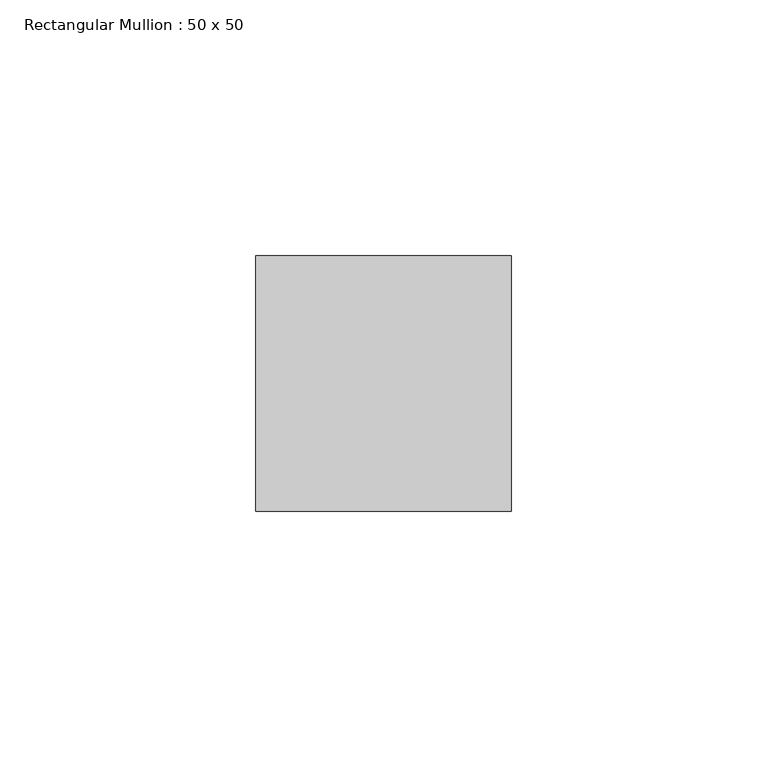
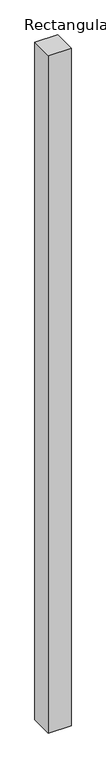
"""IFC4 building model written with IfcOpenShell, lengths in millimetres: member geometry, Rectangular Mullion : 50 x 50."""

from ifc_helpers import new_model, si_unit, frame, origin, place, context, project, spatial, polyline, outline, extrude, source, transform, mapped, element, save


def rectangular_mullion_50_x_50_4c05e4de(model_context):
    return source(origin(), model_context, "Body", "SweptSolid", [
        extrude(outline(polyline([(25.0, 25.0), (25.0, -25.0), (-25.0, -25.0), (-25.0, 25.0), (25.0, 25.0)])), frame((0.0, 0.0, -1563.8710118), z_axis=(0.0, 0.0, 1.0), x_axis=(1.0, 0.0, 0.0)), (0.0, 0.0, 1.0), 1563.8710118),
    ])


if __name__ == "__main__":
    model = new_model("IFC4")
    model_context = context("Model", 3, world=origin())
    ifc_project = project(units=[si_unit("LENGTHUNIT", "METRE", prefix="MILLI")], contexts=[model_context])
    site = spatial("IfcSite", under=ifc_project)
    building = spatial("IfcBuilding", under=site)
    placement = place(None, origin())
    rectangular_mullion_50_x_50_shape = rectangular_mullion_50_x_50_4c05e4de(model_context)
    element("IfcMember", 1, ObjectType="Rectangular Mullion : 50 x 50", at=placement, inside=building, context=model_context, shape_type="MappedRepresentation", body=[
        mapped(rectangular_mullion_50_x_50_shape, transform((0.0, 0.0, 0.0), x_axis=(1.0, 0.0, 0.0), y_axis=(0.0, 1.0, 0.0), z_axis=(0.0, 0.0, 1.0))),
    ])
    save(model, "model.ifc")
